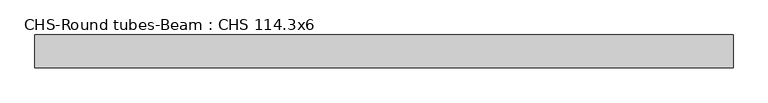
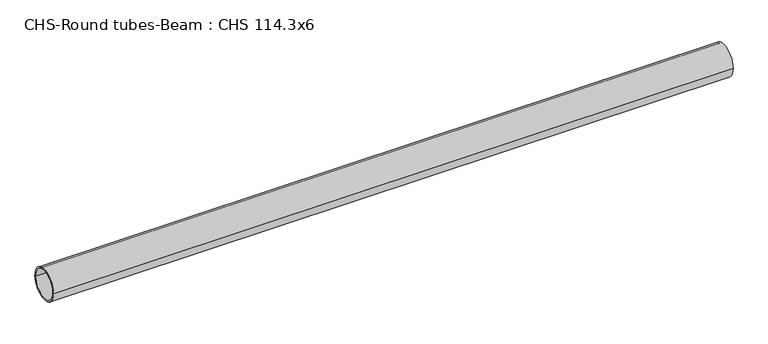
"""IFC4 building model written with IfcOpenShell, lengths in millimetres: beam geometry, CHS-Round tubes-Beam : CHS 114.3x6."""

from ifc_helpers import new_model, si_unit, point, frame, origin, origin_2d, place, context, project, spatial, circle_curve, trimmed, segment, composite_curve, outline, extrude, source, transform, mapped, element, save


def chs_round_tubes_beam_chs_114_3x6_8f07c71f(model_context):
    return source(origin(), model_context, "Body", "SweptSolid", [
        extrude(outline(composite_curve([segment(trimmed(circle_curve(origin_2d(), 57.15), [point((57.15, 0.0))], [point((-57.15, 0.0))], False, "CARTESIAN"), True, "CONTINUOUS"), segment(trimmed(circle_curve(origin_2d(), 57.15), [point((-57.15, 0.0))], [point((57.15, 0.0))], False, "CARTESIAN"), True, "CONTINUOUS")], self_intersect=False), holes=[composite_curve([segment(trimmed(circle_curve(origin_2d(), 51.15), [point((51.15, 0.0))], [point((-51.15, 0.0))], True, "CARTESIAN"), True, "CONTINUOUS"), segment(trimmed(circle_curve(origin_2d(), 51.15), [point((-51.15, 0.0))], [point((51.15, 0.0))], True, "CARTESIAN"), True, "CONTINUOUS")], self_intersect=False)]), frame((-1187.2636194, 0.0, 0.0), z_axis=(1.0, 0.0, 0.0), x_axis=(0.0, 1.0, 0.0)), (0.0, 0.0, 1.0), 2422.0220477),
    ])


if __name__ == "__main__":
    model = new_model("IFC4")
    model_context = context("Model", 3, world=origin())
    ifc_project = project(units=[si_unit("LENGTHUNIT", "METRE", prefix="MILLI")], contexts=[model_context])
    site = spatial("IfcSite", under=ifc_project)
    building = spatial("IfcBuilding", under=site)
    placement = place(None, origin())
    chs_round_tubes_beam_chs_114_3x6_shape = chs_round_tubes_beam_chs_114_3x6_8f07c71f(model_context)
    element("IfcBeam", 1, ObjectType="CHS-Round tubes-Beam : CHS 114.3x6", at=placement, inside=building, context=model_context, shape_type="MappedRepresentation", body=[
        mapped(chs_round_tubes_beam_chs_114_3x6_shape, transform((0.0, 0.0, 0.0), x_axis=(1.0, 0.0, 0.0), y_axis=(0.0, 1.0, 0.0), z_axis=(0.0, 0.0, 1.0))),
    ])
    save(model, "model.ifc")
